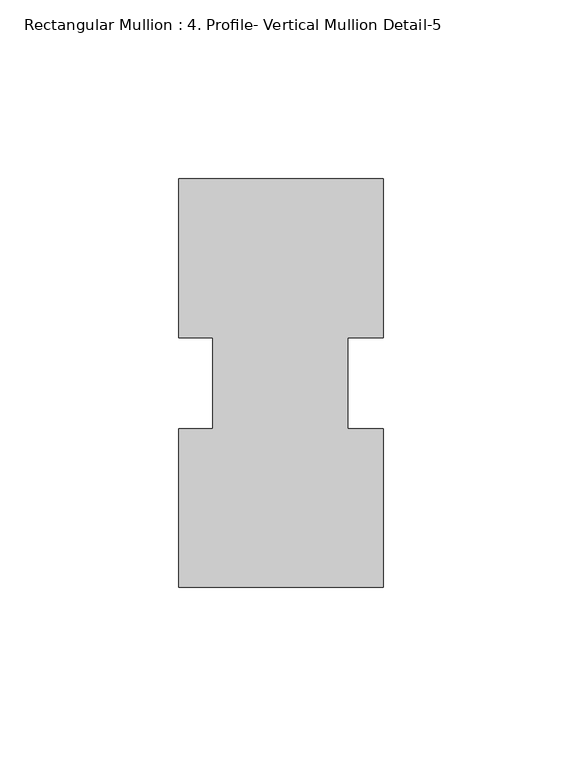
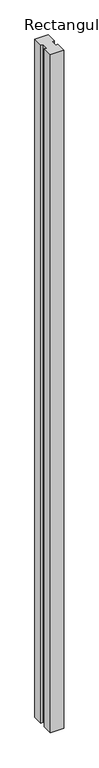
"""IFC4 building model written with IfcOpenShell, lengths in millimetres: member geometry, Rectangular Mullion : 4. Profile- Vertical Mullion Detail-5."""

from ifc_helpers import new_model, si_unit, frame, origin, place, context, project, spatial, polyline, outline, extrude, source, transform, mapped, element, save


def rectangular_mullion_4_profile_vertical_mullion_detail_5_3c981377(model_context):
    return source(origin(), model_context, "Body", "SweptSolid", [
        extrude(outline(polyline([(28.6137407, -56.3219357), (-28.5362593, -56.3219357), (-28.5362593, -11.9268749), (-19.0112593, -11.9268749), (-19.0112593, 13.5608235), (-28.5362593, 13.5608235), (-28.5362593, 57.9780643), (28.6137407, 57.9780643), (28.6137407, 13.5608235), (18.7712407, 13.5608235), (18.7712407, -11.9268749), (28.6137407, -11.9268749), (28.6137407, -56.3219357)])), frame((0.0, 0.0, -3048.0), z_axis=(0.0, 0.0, 1.0), x_axis=(1.0, 0.0, 0.0)), (0.0, 0.0, 1.0), 3048.0),
    ])


if __name__ == "__main__":
    model = new_model("IFC4")
    model_context = context("Model", 3, world=origin())
    ifc_project = project(units=[si_unit("LENGTHUNIT", "METRE", prefix="MILLI")], contexts=[model_context])
    site = spatial("IfcSite", under=ifc_project)
    building = spatial("IfcBuilding", under=site)
    placement = place(None, origin())
    rectangular_mullion_4_profile_vertical_mullion_detail_5_shape = rectangular_mullion_4_profile_vertical_mullion_detail_5_3c981377(model_context)
    element("IfcMember", 1, ObjectType="Rectangular Mullion : 4. Profile- Vertical Mullion Detail-5", at=placement, inside=building, context=model_context, shape_type="MappedRepresentation", body=[
        mapped(rectangular_mullion_4_profile_vertical_mullion_detail_5_shape, transform((0.0, 0.0, 0.0), x_axis=(1.0, 0.0, 0.0), y_axis=(0.0, 1.0, 0.0), z_axis=(0.0, 0.0, 1.0))),
    ])
    save(model, "model.ifc")
